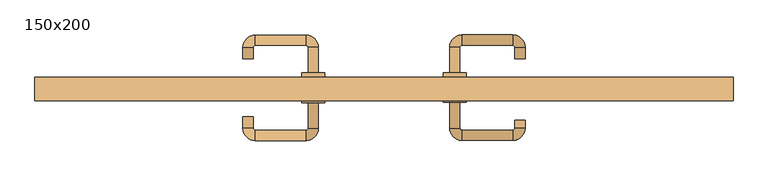
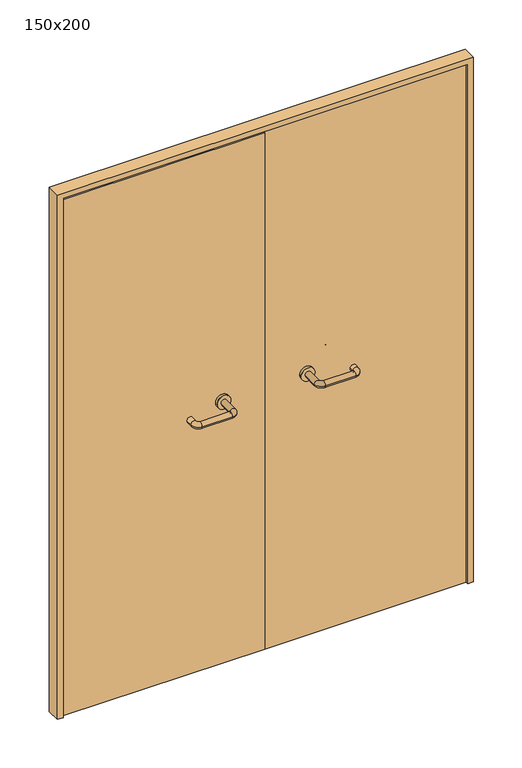
"""IFC4 building model written with IfcOpenShell, lengths in millimetres: door geometry, 150x200."""

from ifc_helpers import new_model, si_unit, point, frame, frame_2d, origin, place, context, project, spatial, polyline, circle_curve, ellipse_curve, trimmed, segment, composite_curve, outline, extrude, source, transform, mapped, element, save
from ifc_brep_helpers import plane_surface, cylinder_surface, revolved_surface, advanced_brep


def door_150x200_e4638c6d(model_context):
    return source(origin(), model_context, "Body", "SolidModel", [
        extrude(outline(polyline([(2000.0, -750.0), (0.0, -750.0), (0.0, -730.0), (1980.0, -730.0), (1980.0, 730.0), (0.0, 730.0), (0.0, 750.0), (2000.0, 750.0), (2000.0, -750.0)])), frame((0.0, 100.0, 0.0), z_axis=(0.0, 1.0, 0.0), x_axis=(0.0, 0.0, 1.0)), (0.0, 0.0, 1.0), 50.0),
        advanced_brep(
        [(140.99898, 96.0, 1003.0), (162.99898, 96.0, 1003.0), (140.99898, 40.6474631, 1003.0), (162.99898, 40.6474631, 1003.0), (166.99898, 36.6474631, 1003.0), (166.99898, 14.6474631, 1003.0), (276.99898, 14.6474631, 1003.0), (276.99898, 36.6474631, 1003.0), (280.99898, 40.6474631, 1003.0), (302.99898, 40.6474631, 1003.0), (302.99898, 58.0, 1003.0), (280.99898, 58.0, 1003.0)],
        [
            (0, 1, circle_curve(frame((151.99898, 96.0, 1003.0), z_axis=(0.0, 1.0, 0.0), x_axis=(1.0, 0.0, 0.0)), 11.0)),
            (1, 0, circle_curve(frame((151.99898, 96.0, 1003.0), z_axis=(0.0, 1.0, 0.0), x_axis=(1.0, 0.0, 0.0)), 11.0)),
            (0, 2),
            (2, 3, circle_curve(frame((151.99898, 40.6474631, 1003.0), z_axis=(0.0, 1.0, 0.0), x_axis=(1.0, 0.0, 0.0)), 11.0)),
            (3, 1),
            (3, 2, circle_curve(frame((151.99898, 40.6474631, 1003.0), z_axis=(0.0, 1.0, 0.0), x_axis=(1.0, 0.0, 0.0)), 11.0)),
            (4, 3, circle_curve(frame((166.99898, 40.6474631, 1003.0), z_axis=(0.0, 0.0, -1.0), x_axis=(-1.0, 0.0, 0.0)), 4.0)),
            (2, 5, circle_curve(frame((166.99898, 40.6474631, 1003.0), z_axis=(0.0, 0.0, 1.0), x_axis=(-1.0, 0.0, 0.0)), 26.0)),
            (5, 4, circle_curve(frame((166.99898, 25.6474631, 1003.0), z_axis=(-1.0, 0.0, 0.0), x_axis=(0.0, 1.0, 0.0)), 11.0)),
            (4, 5, circle_curve(frame((166.99898, 25.6474631, 1003.0), z_axis=(-1.0, 0.0, 0.0), x_axis=(0.0, 1.0, 0.0)), 11.0)),
            (5, 6),
            (6, 7, circle_curve(frame((276.99898, 25.6474631, 1003.0), z_axis=(-1.0, 0.0, 0.0), x_axis=(0.0, 1.0, 0.0)), 11.0)),
            (7, 4),
            (7, 6, circle_curve(frame((276.99898, 25.6474631, 1003.0), z_axis=(-1.0, 0.0, 0.0), x_axis=(0.0, 1.0, 0.0)), 11.0)),
            (8, 7, circle_curve(frame((276.99898, 40.6474631, 1003.0), z_axis=(0.0, 0.0, -1.0), x_axis=(0.0, -1.0, 0.0)), 4.0)),
            (6, 9, circle_curve(frame((276.99898, 40.6474631, 1003.0), z_axis=(0.0, 0.0, 1.0), x_axis=(0.0, -1.0, 0.0)), 26.0)),
            (9, 8, circle_curve(frame((291.99898, 40.6474631, 1003.0), z_axis=(0.0, -1.0, 0.0), x_axis=(-1.0, 0.0, 0.0)), 11.0)),
            (8, 9, circle_curve(frame((291.99898, 40.6474631, 1003.0), z_axis=(0.0, -1.0, 0.0), x_axis=(-1.0, 0.0, 0.0)), 11.0)),
            (10, 11, circle_curve(frame((291.99898, 58.0, 1003.0), z_axis=(0.0, 1.0, 0.0), x_axis=(-1.0, 0.0, 0.0)), 11.0)),
            (11, 10, circle_curve(frame((291.99898, 58.0, 1003.0), z_axis=(0.0, 1.0, 0.0), x_axis=(-1.0, 0.0, 0.0)), 11.0)),
            (9, 10),
            (11, 8),
        ],
        [
            plane_surface(frame((140.99898, 96.0, 1003.0), z_axis=(0.0, 1.0, 0.0), x_axis=(0.0, 0.0, -1.0))),
            cylinder_surface(frame((151.99898, 96.0, 1003.0), z_axis=(0.0, 1.0, 0.0), x_axis=(1.0, 0.0, 0.0)), 11.0),
            revolved_surface(trimmed(ellipse_curve(frame((151.99898, 40.6474631, 1003.0), z_axis=(0.0, 1.0, 0.0), x_axis=(1.0, 0.0, 0.0)), 11.0, 11.0), [point((140.99898, 40.6474631, 1003.0))], [point((162.99898, 40.6474631, 1003.0))], True, "CARTESIAN"), (166.99898, 40.6474631, 1003.0), (0.0, 0.0, 1.0)),
            revolved_surface(trimmed(ellipse_curve(frame((151.99898, 40.6474631, 1003.0), z_axis=(0.0, 1.0, 0.0), x_axis=(1.0, 0.0, 0.0)), 11.0, 11.0), [point((162.99898, 40.6474631, 1003.0))], [point((140.99898, 40.6474631, 1003.0))], True, "CARTESIAN"), (166.99898, 40.6474631, 1003.0), (0.0, 0.0, 1.0)),
            cylinder_surface(frame((166.99898, 25.6474631, 1003.0), z_axis=(-1.0, 0.0, 0.0), x_axis=(0.0, 1.0, 0.0)), 11.0),
            revolved_surface(trimmed(ellipse_curve(frame((276.99898, 25.6474631, 1003.0), z_axis=(-1.0, 0.0, 0.0), x_axis=(0.0, 1.0, 0.0)), 11.0, 11.0), [point((276.99898, 14.6474631, 1003.0))], [point((276.99898, 36.6474631, 1003.0))], True, "CARTESIAN"), (276.99898, 40.6474631, 1003.0), (0.0, 0.0, 1.0)),
            revolved_surface(trimmed(ellipse_curve(frame((276.99898, 25.6474631, 1003.0), z_axis=(-1.0, 0.0, 0.0), x_axis=(0.0, 1.0, 0.0)), 11.0, 11.0), [point((276.99898, 36.6474631, 1003.0))], [point((276.99898, 14.6474631, 1003.0))], True, "CARTESIAN"), (276.99898, 40.6474631, 1003.0), (0.0, 0.0, 1.0)),
            plane_surface(frame((280.99898, 58.0, 1003.0), z_axis=(0.0, 1.0, 0.0), x_axis=(0.0, 0.0, 1.0))),
            cylinder_surface(frame((291.99898, 40.6474631, 1003.0), z_axis=(0.0, -1.0, 0.0), x_axis=(-1.0, 0.0, 0.0)), 11.0),
        ],
        [
            (0, [[1, 2]]),
            (1, [[-1, 3, 4, 5]]),
            (1, [[-2, -5, 6, -3]]),
            (2, [[7, -4, 8, 9]]),
            (3, [[-8, -6, -7, 10]]),
            (4, [[-9, 11, 12, 13]]),
            (4, [[-10, -13, 14, -11]]),
            (5, [[15, -12, 16, 17]]),
            (6, [[-16, -14, -15, 18]]),
            (7, [[19, 20]]),
            (8, [[-17, 21, -20, 22]]),
            (8, [[-18, -22, -19, -21]]),
        ],
    ),
        extrude(outline(composite_curve([segment(trimmed(circle_curve(frame_2d((1003.0, 151.99898)), 25.0), [point((1003.0, 126.99898))], [point((1003.0, 176.99898))], False, "CARTESIAN"), True, "CONTINUOUS"), segment(trimmed(circle_curve(frame_2d((1003.0, 151.99898)), 25.0), [point((1003.0, 176.99898))], [point((1003.0, 126.99898))], False, "CARTESIAN"), True, "CONTINUOUS")], self_intersect=False)), frame((0.0, 96.0, 0.0), z_axis=(0.0, 1.0, 0.0), x_axis=(0.0, 0.0, 1.0)), (0.0, 0.0, 1.0), 10.0),
        advanced_brep(
        [(162.99898, 160.0, 1003.0), (140.99898, 160.0, 1003.0), (162.99898, 215.0, 1003.0), (140.99898, 215.0, 1003.0), (166.99898, 241.0, 1003.0), (166.99898, 219.0, 1003.0), (276.99898, 219.0, 1003.0), (276.99898, 241.0, 1003.0), (302.99898, 215.0, 1003.0), (280.99898, 215.0, 1003.0), (280.99898, 190.0, 1003.0), (302.99898, 190.0, 1003.0)],
        [
            (0, 1, circle_curve(frame((151.99898, 160.0, 1003.0), z_axis=(0.0, -1.0, 0.0), x_axis=(-1.0, 0.0, 0.0)), 11.0)),
            (1, 0, circle_curve(frame((151.99898, 160.0, 1003.0), z_axis=(0.0, -1.0, 0.0), x_axis=(-1.0, 0.0, 0.0)), 11.0)),
            (0, 2),
            (2, 3, circle_curve(frame((151.99898, 215.0, 1003.0), z_axis=(0.0, -1.0, 0.0), x_axis=(-1.0, 0.0, 0.0)), 11.0)),
            (3, 1),
            (3, 2, circle_curve(frame((151.99898, 215.0, 1003.0), z_axis=(0.0, -1.0, 0.0), x_axis=(-1.0, 0.0, 0.0)), 11.0)),
            (4, 3, circle_curve(frame((166.99898, 215.0, 1003.0), z_axis=(0.0, 0.0, 1.0), x_axis=(-1.0, 0.0, 0.0)), 26.0)),
            (2, 5, circle_curve(frame((166.99898, 215.0, 1003.0), z_axis=(0.0, 0.0, -1.0), x_axis=(-1.0, 0.0, 0.0)), 4.0)),
            (5, 4, circle_curve(frame((166.99898, 230.0, 1003.0), z_axis=(-1.0, 0.0, 0.0), x_axis=(0.0, 1.0, 0.0)), 11.0)),
            (4, 5, circle_curve(frame((166.99898, 230.0, 1003.0), z_axis=(-1.0, 0.0, 0.0), x_axis=(0.0, 1.0, 0.0)), 11.0)),
            (5, 6),
            (6, 7, circle_curve(frame((276.99898, 230.0, 1003.0), z_axis=(-1.0, 0.0, 0.0), x_axis=(0.0, 1.0, 0.0)), 11.0)),
            (7, 4),
            (7, 6, circle_curve(frame((276.99898, 230.0, 1003.0), z_axis=(-1.0, 0.0, 0.0), x_axis=(0.0, 1.0, 0.0)), 11.0)),
            (8, 7, circle_curve(frame((276.99898, 215.0, 1003.0), z_axis=(0.0, 0.0, 1.0), x_axis=(0.0, 1.0, 0.0)), 26.0)),
            (6, 9, circle_curve(frame((276.99898, 215.0, 1003.0), z_axis=(0.0, 0.0, -1.0), x_axis=(0.0, 1.0, 0.0)), 4.0)),
            (9, 8, circle_curve(frame((291.99898, 215.0, 1003.0), z_axis=(0.0, 1.0, 0.0), x_axis=(1.0, 0.0, 0.0)), 11.0)),
            (8, 9, circle_curve(frame((291.99898, 215.0, 1003.0), z_axis=(0.0, 1.0, 0.0), x_axis=(1.0, 0.0, 0.0)), 11.0)),
            (10, 11, circle_curve(frame((291.99898, 190.0, 1003.0), z_axis=(0.0, -1.0, 0.0), x_axis=(1.0, 0.0, 0.0)), 11.0)),
            (11, 10, circle_curve(frame((291.99898, 190.0, 1003.0), z_axis=(0.0, -1.0, 0.0), x_axis=(1.0, 0.0, 0.0)), 11.0)),
            (9, 10),
            (11, 8),
        ],
        [
            plane_surface(frame((140.99898, 160.0, 1003.0), z_axis=(0.0, -1.0, 0.0), x_axis=(0.0, 0.0, 1.0))),
            cylinder_surface(frame((151.99898, 160.0, 1003.0), z_axis=(0.0, -1.0, 0.0), x_axis=(-1.0, 0.0, 0.0)), 11.0),
            revolved_surface(trimmed(ellipse_curve(frame((151.99898, 215.0, 1003.0), z_axis=(0.0, -1.0, 0.0), x_axis=(-1.0, 0.0, 0.0)), 11.0, 11.0), [point((162.99898, 215.0, 1003.0))], [point((140.99898, 215.0, 1003.0))], True, "CARTESIAN"), (166.99898, 215.0, 1003.0), (0.0, 0.0, -1.0)),
            revolved_surface(trimmed(ellipse_curve(frame((151.99898, 215.0, 1003.0), z_axis=(0.0, -1.0, 0.0), x_axis=(-1.0, 0.0, 0.0)), 11.0, 11.0), [point((140.99898, 215.0, 1003.0))], [point((162.99898, 215.0, 1003.0))], True, "CARTESIAN"), (166.99898, 215.0, 1003.0), (0.0, 0.0, -1.0)),
            cylinder_surface(frame((166.99898, 230.0, 1003.0), z_axis=(-1.0, 0.0, 0.0), x_axis=(0.0, 1.0, 0.0)), 11.0),
            revolved_surface(trimmed(ellipse_curve(frame((276.99898, 230.0, 1003.0), z_axis=(-1.0, 0.0, 0.0), x_axis=(0.0, 1.0, 0.0)), 11.0, 11.0), [point((276.99898, 219.0, 1003.0))], [point((276.99898, 241.0, 1003.0))], True, "CARTESIAN"), (276.99898, 215.0, 1003.0), (0.0, 0.0, -1.0)),
            revolved_surface(trimmed(ellipse_curve(frame((276.99898, 230.0, 1003.0), z_axis=(-1.0, 0.0, 0.0), x_axis=(0.0, 1.0, 0.0)), 11.0, 11.0), [point((276.99898, 241.0, 1003.0))], [point((276.99898, 219.0, 1003.0))], True, "CARTESIAN"), (276.99898, 215.0, 1003.0), (0.0, 0.0, -1.0)),
            plane_surface(frame((280.99898, 190.0, 1003.0), z_axis=(0.0, -1.0, 0.0), x_axis=(0.0, 0.0, -1.0))),
            cylinder_surface(frame((291.99898, 215.0, 1003.0), z_axis=(0.0, 1.0, 0.0), x_axis=(1.0, 0.0, 0.0)), 11.0),
        ],
        [
            (0, [[1, 2]]),
            (1, [[-1, 3, 4, 5]]),
            (1, [[-2, -5, 6, -3]]),
            (2, [[7, -4, 8, 9]]),
            (3, [[-8, -6, -7, 10]]),
            (4, [[-9, 11, 12, 13]]),
            (4, [[-10, -13, 14, -11]]),
            (5, [[15, -12, 16, 17]]),
            (6, [[-16, -14, -15, 18]]),
            (7, [[19, 20]]),
            (8, [[-17, 21, -20, 22]]),
            (8, [[-18, -22, -19, -21]]),
        ],
    ),
        extrude(outline(composite_curve([segment(trimmed(circle_curve(frame_2d((1003.0, 151.99898)), 25.0), [point((1003.0, 176.99898))], [point((1003.0, 126.99898))], False, "CARTESIAN"), True, "CONTINUOUS"), segment(trimmed(circle_curve(frame_2d((1003.0, 151.99898)), 25.0), [point((1003.0, 126.99898))], [point((1003.0, 176.99898))], False, "CARTESIAN"), True, "CONTINUOUS")], self_intersect=False)), frame((0.0, 150.0, 0.0), z_axis=(0.0, 1.0, 0.0), x_axis=(0.0, 0.0, 1.0)), (0.0, 0.0, 1.0), 10.0),
        advanced_brep(
        [(-162.99898, 95.6886121, 1003.0), (-140.99898, 95.6886121, 1003.0), (-162.99898, 40.2779553, 1003.0), (-140.99898, 40.2779553, 1003.0), (-166.99898, 14.2779553, 1003.0), (-166.99898, 36.2779553, 1003.0), (-276.99898, 36.2779553, 1003.0), (-276.99898, 14.2779553, 1003.0), (-302.99898, 40.2779553, 1003.0), (-280.99898, 40.2779553, 1003.0), (-280.99898, 65.2779553, 1003.0), (-302.99898, 65.2779553, 1003.0)],
        [
            (0, 1, circle_curve(frame((-151.99898, 95.6886121, 1003.0), z_axis=(0.0, 1.0, 0.0), x_axis=(1.0, 0.0, 0.0)), 11.0)),
            (1, 0, circle_curve(frame((-151.99898, 95.6886121, 1003.0), z_axis=(0.0, 1.0, 0.0), x_axis=(1.0, 0.0, 0.0)), 11.0)),
            (0, 2),
            (2, 3, circle_curve(frame((-151.99898, 40.2779553, 1003.0), z_axis=(0.0, 1.0, 0.0), x_axis=(1.0, 0.0, 0.0)), 11.0)),
            (3, 1),
            (3, 2, circle_curve(frame((-151.99898, 40.2779553, 1003.0), z_axis=(0.0, 1.0, 0.0), x_axis=(1.0, 0.0, 0.0)), 11.0)),
            (4, 3, circle_curve(frame((-166.99898, 40.2779553, 1003.0), z_axis=(0.0, 0.0, 1.0), x_axis=(1.0, 0.0, 0.0)), 26.0)),
            (2, 5, circle_curve(frame((-166.99898, 40.2779553, 1003.0), z_axis=(0.0, 0.0, -1.0), x_axis=(1.0, 0.0, 0.0)), 4.0)),
            (5, 4, circle_curve(frame((-166.99898, 25.2779553, 1003.0), z_axis=(1.0, 0.0, 0.0), x_axis=(0.0, -1.0, 0.0)), 11.0)),
            (4, 5, circle_curve(frame((-166.99898, 25.2779553, 1003.0), z_axis=(1.0, 0.0, 0.0), x_axis=(0.0, -1.0, 0.0)), 11.0)),
            (5, 6),
            (6, 7, circle_curve(frame((-276.99898, 25.2779553, 1003.0), z_axis=(1.0, 0.0, 0.0), x_axis=(0.0, -1.0, 0.0)), 11.0)),
            (7, 4),
            (7, 6, circle_curve(frame((-276.99898, 25.2779553, 1003.0), z_axis=(1.0, 0.0, 0.0), x_axis=(0.0, -1.0, 0.0)), 11.0)),
            (8, 7, circle_curve(frame((-276.99898, 40.2779553, 1003.0), z_axis=(0.0, 0.0, 1.0), x_axis=(0.0, -1.0, 0.0)), 26.0)),
            (6, 9, circle_curve(frame((-276.99898, 40.2779553, 1003.0), z_axis=(0.0, 0.0, -1.0), x_axis=(0.0, -1.0, 0.0)), 4.0)),
            (9, 8, circle_curve(frame((-291.99898, 40.2779553, 1003.0), z_axis=(0.0, -1.0, 0.0), x_axis=(-1.0, 0.0, 0.0)), 11.0)),
            (8, 9, circle_curve(frame((-291.99898, 40.2779553, 1003.0), z_axis=(0.0, -1.0, 0.0), x_axis=(-1.0, 0.0, 0.0)), 11.0)),
            (10, 11, circle_curve(frame((-291.99898, 65.2779553, 1003.0), z_axis=(0.0, 1.0, 0.0), x_axis=(-1.0, 0.0, 0.0)), 11.0)),
            (11, 10, circle_curve(frame((-291.99898, 65.2779553, 1003.0), z_axis=(0.0, 1.0, 0.0), x_axis=(-1.0, 0.0, 0.0)), 11.0)),
            (9, 10),
            (11, 8),
        ],
        [
            plane_surface(frame((-162.99898, 95.6886121, 1003.0), z_axis=(0.0, 1.0, 0.0), x_axis=(0.0, 0.0, -1.0))),
            cylinder_surface(frame((-151.99898, 95.6886121, 1003.0), z_axis=(0.0, 1.0, 0.0), x_axis=(1.0, 0.0, 0.0)), 11.0),
            revolved_surface(trimmed(ellipse_curve(frame((-151.99898, 40.2779553, 1003.0), z_axis=(0.0, 1.0, 0.0), x_axis=(1.0, 0.0, 0.0)), 11.0, 11.0), [point((-162.99898, 40.2779553, 1003.0))], [point((-140.99898, 40.2779553, 1003.0))], True, "CARTESIAN"), (-166.99898, 40.2779553, 1003.0), (0.0, 0.0, -1.0)),
            revolved_surface(trimmed(ellipse_curve(frame((-151.99898, 40.2779553, 1003.0), z_axis=(0.0, 1.0, 0.0), x_axis=(1.0, 0.0, 0.0)), 11.0, 11.0), [point((-140.99898, 40.2779553, 1003.0))], [point((-162.99898, 40.2779553, 1003.0))], True, "CARTESIAN"), (-166.99898, 40.2779553, 1003.0), (0.0, 0.0, -1.0)),
            cylinder_surface(frame((-166.99898, 25.2779553, 1003.0), z_axis=(1.0, 0.0, 0.0), x_axis=(0.0, -1.0, 0.0)), 11.0),
            revolved_surface(trimmed(ellipse_curve(frame((-276.99898, 25.2779553, 1003.0), z_axis=(1.0, 0.0, 0.0), x_axis=(0.0, -1.0, 0.0)), 11.0, 11.0), [point((-276.99898, 36.2779553, 1003.0))], [point((-276.99898, 14.2779553, 1003.0))], True, "CARTESIAN"), (-276.99898, 40.2779553, 1003.0), (0.0, 0.0, -1.0)),
            revolved_surface(trimmed(ellipse_curve(frame((-276.99898, 25.2779553, 1003.0), z_axis=(1.0, 0.0, 0.0), x_axis=(0.0, -1.0, 0.0)), 11.0, 11.0), [point((-276.99898, 14.2779553, 1003.0))], [point((-276.99898, 36.2779553, 1003.0))], True, "CARTESIAN"), (-276.99898, 40.2779553, 1003.0), (0.0, 0.0, -1.0)),
            plane_surface(frame((-302.99898, 65.2779553, 1003.0), z_axis=(0.0, 1.0, 0.0), x_axis=(0.0, 0.0, 1.0))),
            cylinder_surface(frame((-291.99898, 40.2779553, 1003.0), z_axis=(0.0, -1.0, 0.0), x_axis=(-1.0, 0.0, 0.0)), 11.0),
        ],
        [
            (0, [[1, 2]]),
            (1, [[-1, 3, 4, 5]]),
            (1, [[-2, -5, 6, -3]]),
            (2, [[7, -4, 8, 9]]),
            (3, [[-8, -6, -7, 10]]),
            (4, [[-9, 11, 12, 13]]),
            (4, [[-10, -13, 14, -11]]),
            (5, [[15, -12, 16, 17]]),
            (6, [[-16, -14, -15, 18]]),
            (7, [[19, 20]]),
            (8, [[-17, 21, -20, 22]]),
            (8, [[-18, -22, -19, -21]]),
        ],
    ),
        extrude(outline(composite_curve([segment(trimmed(circle_curve(frame_2d((1003.0, -151.99898)), 25.0), [point((1003.0, -176.99898))], [point((1003.0, -126.99898))], False, "CARTESIAN"), True, "CONTINUOUS"), segment(trimmed(circle_curve(frame_2d((1003.0, -151.99898)), 25.0), [point((1003.0, -126.99898))], [point((1003.0, -176.99898))], False, "CARTESIAN"), True, "CONTINUOUS")], self_intersect=False)), frame((0.0, 95.6886121, 0.0), z_axis=(0.0, 1.0, 0.0), x_axis=(0.0, 0.0, 1.0)), (0.0, 0.0, 1.0), 10.3113879),
        advanced_brep(
        [(-140.99898, 159.5143417, 1003.0), (-162.99898, 159.5143417, 1003.0), (-140.99898, 214.6104656, 1003.0), (-162.99898, 214.6104656, 1003.0), (-166.99898, 218.6104656, 1003.0), (-166.99898, 240.6104656, 1003.0), (-276.99898, 240.6104656, 1003.0), (-276.99898, 218.6104656, 1003.0), (-280.99898, 214.6104656, 1003.0), (-302.99898, 214.6104656, 1003.0), (-302.99898, 189.6104656, 1003.0), (-280.99898, 189.6104656, 1003.0)],
        [
            (0, 1, circle_curve(frame((-151.99898, 159.5143417, 1003.0), z_axis=(0.0, -1.0, 0.0), x_axis=(-1.0, 0.0, 0.0)), 11.0)),
            (1, 0, circle_curve(frame((-151.99898, 159.5143417, 1003.0), z_axis=(0.0, -1.0, 0.0), x_axis=(-1.0, 0.0, 0.0)), 11.0)),
            (0, 2),
            (2, 3, circle_curve(frame((-151.99898, 214.6104656, 1003.0), z_axis=(0.0, -1.0, 0.0), x_axis=(-1.0, 0.0, 0.0)), 11.0)),
            (3, 1),
            (3, 2, circle_curve(frame((-151.99898, 214.6104656, 1003.0), z_axis=(0.0, -1.0, 0.0), x_axis=(-1.0, 0.0, 0.0)), 11.0)),
            (4, 3, circle_curve(frame((-166.99898, 214.6104656, 1003.0), z_axis=(0.0, 0.0, -1.0), x_axis=(1.0, 0.0, 0.0)), 4.0)),
            (2, 5, circle_curve(frame((-166.99898, 214.6104656, 1003.0), z_axis=(0.0, 0.0, 1.0), x_axis=(1.0, 0.0, 0.0)), 26.0)),
            (5, 4, circle_curve(frame((-166.99898, 229.6104656, 1003.0), z_axis=(1.0, 0.0, 0.0), x_axis=(0.0, -1.0, 0.0)), 11.0)),
            (4, 5, circle_curve(frame((-166.99898, 229.6104656, 1003.0), z_axis=(1.0, 0.0, 0.0), x_axis=(0.0, -1.0, 0.0)), 11.0)),
            (5, 6),
            (6, 7, circle_curve(frame((-276.99898, 229.6104656, 1003.0), z_axis=(1.0, 0.0, 0.0), x_axis=(0.0, -1.0, 0.0)), 11.0)),
            (7, 4),
            (7, 6, circle_curve(frame((-276.99898, 229.6104656, 1003.0), z_axis=(1.0, 0.0, 0.0), x_axis=(0.0, -1.0, 0.0)), 11.0)),
            (8, 7, circle_curve(frame((-276.99898, 214.6104656, 1003.0), z_axis=(0.0, 0.0, -1.0), x_axis=(0.0, 1.0, 0.0)), 4.0)),
            (6, 9, circle_curve(frame((-276.99898, 214.6104656, 1003.0), z_axis=(0.0, 0.0, 1.0), x_axis=(0.0, 1.0, 0.0)), 26.0)),
            (9, 8, circle_curve(frame((-291.99898, 214.6104656, 1003.0), z_axis=(0.0, 1.0, 0.0), x_axis=(1.0, 0.0, 0.0)), 11.0)),
            (8, 9, circle_curve(frame((-291.99898, 214.6104656, 1003.0), z_axis=(0.0, 1.0, 0.0), x_axis=(1.0, 0.0, 0.0)), 11.0)),
            (10, 11, circle_curve(frame((-291.99898, 189.6104656, 1003.0), z_axis=(0.0, -1.0, 0.0), x_axis=(1.0, 0.0, 0.0)), 11.0)),
            (11, 10, circle_curve(frame((-291.99898, 189.6104656, 1003.0), z_axis=(0.0, -1.0, 0.0), x_axis=(1.0, 0.0, 0.0)), 11.0)),
            (9, 10),
            (11, 8),
        ],
        [
            plane_surface(frame((-162.99898, 159.5143417, 1003.0), z_axis=(0.0, -1.0, 0.0), x_axis=(0.0, 0.0, 1.0))),
            cylinder_surface(frame((-151.99898, 159.5143417, 1003.0), z_axis=(0.0, -1.0, 0.0), x_axis=(-1.0, 0.0, 0.0)), 11.0),
            revolved_surface(trimmed(ellipse_curve(frame((-151.99898, 214.6104656, 1003.0), z_axis=(0.0, -1.0, 0.0), x_axis=(-1.0, 0.0, 0.0)), 11.0, 11.0), [point((-140.99898, 214.6104656, 1003.0))], [point((-162.99898, 214.6104656, 1003.0))], True, "CARTESIAN"), (-166.99898, 214.6104656, 1003.0), (0.0, 0.0, 1.0)),
            revolved_surface(trimmed(ellipse_curve(frame((-151.99898, 214.6104656, 1003.0), z_axis=(0.0, -1.0, 0.0), x_axis=(-1.0, 0.0, 0.0)), 11.0, 11.0), [point((-162.99898, 214.6104656, 1003.0))], [point((-140.99898, 214.6104656, 1003.0))], True, "CARTESIAN"), (-166.99898, 214.6104656, 1003.0), (0.0, 0.0, 1.0)),
            cylinder_surface(frame((-166.99898, 229.6104656, 1003.0), z_axis=(1.0, 0.0, 0.0), x_axis=(0.0, -1.0, 0.0)), 11.0),
            revolved_surface(trimmed(ellipse_curve(frame((-276.99898, 229.6104656, 1003.0), z_axis=(1.0, 0.0, 0.0), x_axis=(0.0, -1.0, 0.0)), 11.0, 11.0), [point((-276.99898, 240.6104656, 1003.0))], [point((-276.99898, 218.6104656, 1003.0))], True, "CARTESIAN"), (-276.99898, 214.6104656, 1003.0), (0.0, 0.0, 1.0)),
            revolved_surface(trimmed(ellipse_curve(frame((-276.99898, 229.6104656, 1003.0), z_axis=(1.0, 0.0, 0.0), x_axis=(0.0, -1.0, 0.0)), 11.0, 11.0), [point((-276.99898, 218.6104656, 1003.0))], [point((-276.99898, 240.6104656, 1003.0))], True, "CARTESIAN"), (-276.99898, 214.6104656, 1003.0), (0.0, 0.0, 1.0)),
            plane_surface(frame((-302.99898, 189.6104656, 1003.0), z_axis=(0.0, -1.0, 0.0), x_axis=(0.0, 0.0, -1.0))),
            cylinder_surface(frame((-291.99898, 214.6104656, 1003.0), z_axis=(0.0, 1.0, 0.0), x_axis=(1.0, 0.0, 0.0)), 11.0),
        ],
        [
            (0, [[1, 2]]),
            (1, [[-1, 3, 4, 5]]),
            (1, [[-2, -5, 6, -3]]),
            (2, [[7, -4, 8, 9]]),
            (3, [[-8, -6, -7, 10]]),
            (4, [[-9, 11, 12, 13]]),
            (4, [[-10, -13, 14, -11]]),
            (5, [[15, -12, 16, 17]]),
            (6, [[-16, -14, -15, 18]]),
            (7, [[19, 20]]),
            (8, [[-17, 21, -20, 22]]),
            (8, [[-18, -22, -19, -21]]),
        ],
    ),
        extrude(outline(composite_curve([segment(trimmed(circle_curve(frame_2d((1003.0, -151.99898)), 25.0), [point((1003.0, -126.99898))], [point((1003.0, -176.99898))], False, "CARTESIAN"), True, "CONTINUOUS"), segment(trimmed(circle_curve(frame_2d((1003.0, -151.99898)), 25.0), [point((1003.0, -176.99898))], [point((1003.0, -126.99898))], False, "CARTESIAN"), True, "CONTINUOUS")], self_intersect=False)), frame((0.0, 150.0, 0.0), z_axis=(0.0, 1.0, 0.0), x_axis=(0.0, 0.0, 1.0)), (0.0, 0.0, 1.0), 9.5143417),
        extrude(outline(polyline([(1.0739506, 106.0), (-727.0, 106.0), (-727.0, 150.0), (1.0739506, 150.0), (1.0739506, 106.0)])), frame((0.0, 0.0, 1.753223), z_axis=(0.0, 0.0, 1.0), x_axis=(1.0, 0.0, 0.0)), (0.0, 0.0, 1.0), 1969.246777),
        extrude(outline(polyline([(727.0, 106.0), (1.0739506, 106.0), (1.0739506, 150.0), (727.0, 150.0), (727.0, 106.0)])), frame((0.0, 0.0, 1.753223), z_axis=(0.0, 0.0, 1.0), x_axis=(1.0, 0.0, 0.0)), (0.0, 0.0, 1.0), 1978.246777),
    ])


if __name__ == "__main__":
    model = new_model("IFC4")
    model_context = context("Model", 3, world=origin())
    ifc_project = project(units=[si_unit("LENGTHUNIT", "METRE", prefix="MILLI")], contexts=[model_context])
    site = spatial("IfcSite", under=ifc_project)
    building = spatial("IfcBuilding", under=site)
    placement = place(None, origin())
    door_150x200_shape = door_150x200_e4638c6d(model_context)
    element("IfcDoor", 1, ObjectType="150x200", at=placement, inside=building, context=model_context, shape_type="MappedRepresentation", body=[
        mapped(door_150x200_shape, transform((0.0, 0.0, 0.0), x_axis=(1.0, 0.0, 0.0), y_axis=(0.0, 1.0, 0.0), z_axis=(0.0, 0.0, 1.0))),
    ])
    save(model, "model.ifc")
